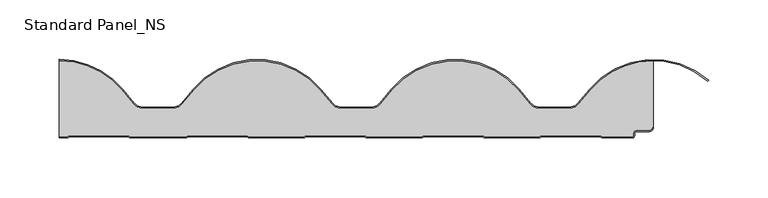
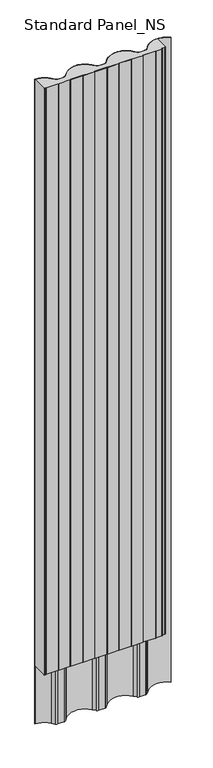
"""IFC4 building model written with IfcOpenShell, lengths in millimetres: proxy geometry, Standard Panel_NS."""

from ifc_helpers import new_model, si_unit, point, frame, frame_2d, origin, origin_with_axes, place, context, project, spatial, polyline, circle_curve, trimmed, segment, composite_curve, outline, extrude, source, transform, mapped, element, save


def standard_panel_ns_722d6365(model_context):
    return source(origin(), model_context, "Body", "SweptSolid", [
        extrude(outline(composite_curve([segment(polyline([(-197.0868605, 40.3253121), (-187.2993793, 28.6610576)]), True, "CONTINUOUS"), segment(trimmed(circle_curve(frame_2d((-179.4481443, 35.2490325)), 10.2490635), [point((-187.2993793, 28.6610576))], [point((-179.4481443, 24.9999689))], True, "CARTESIAN"), True, "CONTINUOUS"), segment(polyline([(-179.4481443, 24.9999689), (-153.8900883, 24.9999689)]), True, "CONTINUOUS"), segment(trimmed(circle_curve(frame_2d((-153.8900883, 35.2499786)), 10.2500097), [point((-153.8900883, 24.9999689))], [point((-146.0381194, 28.6614065))], True, "CARTESIAN"), True, "CONTINUOUS"), segment(polyline([(-146.0381194, 28.6614065), (-136.2510197, 40.325239)]), True, "CONTINUOUS"), segment(trimmed(circle_curve(frame_2d((-83.3359094, -4.0757294)), 69.0757185), [point((-136.2510197, 40.325239))], [point((-30.4208391, 40.3252866))], False, "CARTESIAN"), True, "CONTINUOUS"), segment(polyline([(-30.4208391, 40.3252866), (-20.6338179, 28.661569)]), True, "CONTINUOUS"), segment(trimmed(circle_curve(frame_2d((-12.7855185, 35.2418743)), 10.2418857), [point((-20.6338179, 28.661569))], [point((-12.7822294, 24.9999892))], True, "CARTESIAN"), True, "CONTINUOUS"), segment(polyline([(-12.7822294, 24.9999892), (12.7759153, 24.9999892)]), True, "CONTINUOUS"), segment(trimmed(circle_curve(frame_2d((12.7759153, 35.2499892)), 10.25), [point((12.7759153, 24.9999892))], [point((20.6278708, 28.6614162))], True, "CARTESIAN"), True, "CONTINUOUS"), segment(polyline([(20.6278708, 28.6614162), (30.4150203, 40.3252866)]), True, "CONTINUOUS"), segment(trimmed(circle_curve(frame_2d((83.3300906, -4.0757294)), 69.0757185), [point((30.4150203, 40.3252866))], [point((136.2451609, 40.3252866))], False, "CARTESIAN"), True, "CONTINUOUS"), segment(polyline([(136.2451609, 40.3252866), (146.0321821, 28.6615689)]), True, "CONTINUOUS"), segment(trimmed(circle_curve(frame_2d((153.8804815, 35.2418743)), 10.2418857), [point((146.0321821, 28.6615689))], [point((153.8837706, 24.9999892))], True, "CARTESIAN"), True, "CONTINUOUS"), segment(polyline([(153.8837706, 24.9999892), (179.4419153, 24.9999892)]), True, "CONTINUOUS"), segment(trimmed(circle_curve(frame_2d((179.4419153, 35.2499892)), 10.25), [point((179.4419153, 24.9999892))], [point((187.2938708, 28.6614162))], True, "CARTESIAN"), True, "CONTINUOUS"), segment(polyline([(187.2938708, 28.6614162), (197.0810203, 40.3252866)]), True, "CONTINUOUS"), segment(trimmed(circle_curve(frame_2d((249.9960906, -4.0757294)), 69.0757185), [point((197.0810203, 40.3252866))], [point((250.0000906, 64.999989))], False, "CARTESIAN"), True, "CONTINUOUS"), segment(polyline([(250.0000906, 64.999989), (250.0000906, 8.9), (249.0000906, 8.9)]), True, "CONTINUOUS"), segment(trimmed(circle_curve(frame_2d((246.5000906, 8.9)), 2.5), [point((249.0000906, 8.9))], [point((246.5000906, 6.4))], False, "CARTESIAN"), True, "CONTINUOUS"), segment(polyline([(246.5000906, 6.4), (236.2144661, 6.4)]), True, "CONTINUOUS"), segment(trimmed(circle_curve(frame_2d((236.2144661, 3.3)), 3.1), [point((236.2144661, 6.4))], [point((233.1144661, 3.3))], True, "CARTESIAN"), True, "CONTINUOUS"), segment(polyline([(233.1144661, 3.3), (233.1144661, 1.9)]), True, "CONTINUOUS"), segment(trimmed(circle_curve(frame_2d((232.2144661, 1.9)), 0.9), [point((233.1144661, 1.9))], [point((232.2144661, 1.0))], False, "CARTESIAN"), True, "CONTINUOUS"), segment(polyline([(232.2144661, 1.0), (207.0199097, 1.0), (205.2878589, 2.0), (155.8682437, 2.0), (154.1361929, 1.0), (108.0199097, 1.0), (106.2878589, 2.0), (56.8682437, 2.0), (55.1361929, 1.0), (8.8757606, 1.0), (7.1437098, 2.0), (-42.2759055, 2.0), (-44.0079563, 1.0), (-90.1242394, 1.0), (-91.8562902, 2.0), (-141.2759055, 2.0), (-143.0079563, 1.0), (-190.0251415, 1.0), (-191.7571923, 2.0), (-241.1768076, 2.0), (-242.9088584, 1.0), (-249.4999998, 1.0), (-249.4999998, 64.9981657)]), True, "CONTINUOUS"), segment(trimmed(circle_curve(frame_2d((-250.0019094, -4.0757294)), 69.0757185), [point((-249.4999998, 64.9981657))], [point((-197.0868605, 40.3253121))], False, "CARTESIAN"), True, "CONTINUOUS")], self_intersect=False)), origin_with_axes(), (0.0, 0.0, 1.0), 2527.968552),
        extrude(outline(composite_curve([segment(polyline([(-242.9088584, 1.0), (-241.1768076, 2.0), (-191.7571923, 2.0), (-190.0251415, 1.0), (-143.0079563, 1.0), (-141.2759055, 2.0), (-91.8562902, 2.0), (-90.1242394, 1.0), (-44.0079563, 1.0), (-42.2759055, 2.0), (7.1437098, 2.0), (8.8757606, 1.0), (55.1361929, 1.0), (56.8682437, 2.0), (106.2878589, 2.0), (108.0199097, 1.0), (154.1361929, 1.0), (155.8682437, 2.0), (205.2878589, 2.0), (207.0199097, 1.0), (232.2144661, 1.0)]), True, "CONTINUOUS"), segment(trimmed(circle_curve(frame_2d((232.2144661, 1.9)), 0.9), [point((232.2144661, 1.0))], [point((233.1144661, 1.9))], True, "CARTESIAN"), True, "CONTINUOUS"), segment(polyline([(233.1144661, 1.9), (233.1144661, 3.3)]), True, "CONTINUOUS"), segment(trimmed(circle_curve(frame_2d((236.2144661, 3.3)), 3.1), [point((233.1144661, 3.3))], [point((236.2144661, 6.4))], False, "CARTESIAN"), True, "CONTINUOUS"), segment(polyline([(236.2144661, 6.4), (246.5000906, 6.4)]), True, "CONTINUOUS"), segment(trimmed(circle_curve(frame_2d((246.5000906, 8.9)), 2.5), [point((246.5000906, 6.4))], [point((249.0000906, 8.9))], True, "CARTESIAN"), True, "CONTINUOUS"), segment(polyline([(249.0000906, 8.9), (250.0000906, 8.9)]), True, "CONTINUOUS"), segment(trimmed(circle_curve(frame_2d((246.5000906, 8.9)), 3.5), [point((250.0000906, 8.9))], [point((246.5000906, 5.4))], False, "CARTESIAN"), True, "CONTINUOUS"), segment(polyline([(246.5000906, 5.4), (236.2144661, 5.4)]), True, "CONTINUOUS"), segment(trimmed(circle_curve(frame_2d((236.2144661, 3.3)), 2.1), [point((236.2144661, 5.4))], [point((234.1144661, 3.3))], True, "CARTESIAN"), True, "CONTINUOUS"), segment(polyline([(234.1144661, 3.3), (234.1144661, 1.9)]), True, "CONTINUOUS"), segment(trimmed(circle_curve(frame_2d((232.2144661, 1.9)), 1.9), [point((234.1144661, 1.9))], [point((232.2144661, 0.0))], False, "CARTESIAN"), True, "CONTINUOUS"), segment(polyline([(232.2144661, 0.0), (207.1940767, 0.0)]), True, "CONTINUOUS"), segment(trimmed(circle_curve(frame_2d((207.1940767, 1.65)), 1.65), [point((207.1940767, 0.0))], [point((206.3690767, 0.2210581))], False, "CARTESIAN"), True, "CONTINUOUS"), segment(polyline([(206.3690767, 0.2210581), (205.0199097, 1.0), (156.1361929, 1.0), (154.7870259, 0.2210581)]), True, "CONTINUOUS"), segment(trimmed(circle_curve(frame_2d((153.9620259, 1.65)), 1.65), [point((154.7870259, 0.2210581))], [point((153.9620259, 0.0))], False, "CARTESIAN"), True, "CONTINUOUS"), segment(polyline([(153.9620259, 0.0), (108.0426763, 0.0)]), True, "CONTINUOUS"), segment(trimmed(circle_curve(frame_2d((108.0426763, 1.2339188)), 1.2339188), [point((108.0426763, 0.0))], [point((107.2442864, 0.2931058))], False, "CARTESIAN"), True, "CONTINUOUS"), segment(polyline([(107.2442864, 0.2931058), (106.0199097, 1.0), (57.1361929, 1.0), (55.7870259, 0.2210581)]), True, "CONTINUOUS"), segment(trimmed(circle_curve(frame_2d((54.9620259, 1.65)), 1.65), [point((55.7870259, 0.2210581))], [point((54.9620259, 0.0))], False, "CARTESIAN"), True, "CONTINUOUS"), segment(polyline([(54.9620259, 0.0), (9.0499275, 0.0)]), True, "CONTINUOUS"), segment(trimmed(circle_curve(frame_2d((9.0499275, 1.65)), 1.65), [point((9.0499275, 0.0))], [point((8.2249275, 0.2210581))], False, "CARTESIAN"), True, "CONTINUOUS"), segment(polyline([(8.2249275, 0.2210581), (6.8757606, 1.0), (-42.0079563, 1.0), (-43.2277028, 0.295779)]), True, "CONTINUOUS"), segment(trimmed(circle_curve(frame_2d((-44.0307229, 1.2379622)), 1.2379622), [point((-43.2277028, 0.295779))], [point((-44.0307229, 0.0))], False, "CARTESIAN"), True, "CONTINUOUS"), segment(polyline([(-44.0307229, 0.0), (-89.9500725, 0.0)]), True, "CONTINUOUS"), segment(trimmed(circle_curve(frame_2d((-89.9500725, 1.65)), 1.65), [point((-89.9500725, 0.0))], [point((-90.7750725, 0.2210581))], False, "CARTESIAN"), True, "CONTINUOUS"), segment(polyline([(-90.7750725, 0.2210581), (-92.1242394, 1.0), (-141.0079563, 1.0), (-142.3571233, 0.2210581)]), True, "CONTINUOUS"), segment(trimmed(circle_curve(frame_2d((-143.1821233, 1.65)), 1.65), [point((-142.3571233, 0.2210581))], [point((-143.1821233, 0.0))], False, "CARTESIAN"), True, "CONTINUOUS"), segment(polyline([(-143.1821233, 0.0), (-189.8509746, 0.0)]), True, "CONTINUOUS"), segment(trimmed(circle_curve(frame_2d((-189.8509746, 1.65)), 1.65), [point((-189.8509746, 0.0))], [point((-190.6759746, 0.2210581))], False, "CARTESIAN"), True, "CONTINUOUS"), segment(polyline([(-190.6759746, 0.2210581), (-192.0251415, 1.0), (-240.9088584, 1.0), (-242.2580254, 0.2210581)]), True, "CONTINUOUS"), segment(trimmed(circle_curve(frame_2d((-243.0830254, 1.65)), 1.65), [point((-242.2580254, 0.2210581))], [point((-243.0830254, 0.0))], False, "CARTESIAN"), True, "CONTINUOUS"), segment(polyline([(-243.0830254, 0.0), (-249.4999998, 0.0), (-249.4999998, 1.0), (-242.9088584, 1.0)]), True, "CONTINUOUS")], self_intersect=False)), origin_with_axes(), (0.0, 0.0, 1.0), 2527.968552),
        extrude(outline(composite_curve([segment(polyline([(-196.3208164, 40.9687109), (-186.5333351, 29.3044564)]), True, "CONTINUOUS"), segment(trimmed(circle_curve(frame_2d((-179.4481443, 35.2496432)), 9.2490635), [point((-186.5333351, 29.3044564))], [point((-179.4481443, 26.0005797))], True, "CARTESIAN"), True, "CONTINUOUS"), segment(polyline([(-179.4481443, 26.0005797), (-153.8900883, 26.0005797)]), True, "CONTINUOUS"), segment(trimmed(circle_curve(frame_2d((-153.8900883, 35.2505893)), 9.2500097), [point((-153.8900883, 26.0005797))], [point((-146.8041644, 29.3048041))], True, "CARTESIAN"), True, "CONTINUOUS"), segment(polyline([(-146.8041644, 29.3048041), (-137.0170647, 40.9686367)]), True, "CONTINUOUS"), segment(trimmed(circle_curve(frame_2d((-83.3359094, -4.0751186)), 70.0757185), [point((-137.0170647, 40.9686367))], [point((-29.6547947, 40.968685))], False, "CARTESIAN"), True, "CONTINUOUS"), segment(polyline([(-29.6547947, 40.968685), (-19.8676452, 29.3048145)]), True, "CONTINUOUS"), segment(trimmed(circle_curve(frame_2d((-12.7855185, 35.2424851)), 9.2418857), [point((-19.8676452, 29.3048145))], [point((-12.7823941, 26.0005999))], True, "CARTESIAN"), True, "CONTINUOUS"), segment(polyline([(-12.7823941, 26.0005999), (12.7759153, 26.0005999)]), True, "CONTINUOUS"), segment(trimmed(circle_curve(frame_2d((12.7759153, 35.2505999)), 9.25), [point((12.7759153, 26.0005999))], [point((19.8618264, 29.3048145))], True, "CARTESIAN"), True, "CONTINUOUS"), segment(polyline([(19.8618264, 29.3048145), (29.6489758, 40.968685)]), True, "CONTINUOUS"), segment(trimmed(circle_curve(frame_2d((83.3300906, -4.0751186)), 70.0757185), [point((29.6489758, 40.968685))], [point((137.0112053, 40.968685))], False, "CARTESIAN"), True, "CONTINUOUS"), segment(polyline([(137.0112053, 40.968685), (146.7983548, 29.3048145)]), True, "CONTINUOUS"), segment(trimmed(circle_curve(frame_2d((153.8804815, 35.2424851)), 9.2418857), [point((146.7983548, 29.3048145))], [point((153.8836059, 26.0005999))], True, "CARTESIAN"), True, "CONTINUOUS"), segment(polyline([(153.8836059, 26.0005999), (179.4419153, 26.0005999)]), True, "CONTINUOUS"), segment(trimmed(circle_curve(frame_2d((179.4419153, 35.2505999)), 9.25), [point((179.4419153, 26.0005999))], [point((186.5278264, 29.3048145))], True, "CARTESIAN"), True, "CONTINUOUS"), segment(polyline([(186.5278264, 29.3048145), (196.3149758, 40.968685)]), True, "CONTINUOUS"), segment(trimmed(circle_curve(frame_2d((249.9960906, -4.0751186)), 70.0757185), [point((196.3149758, 40.968685))], [point((296.3461744, 48.4822411))], False, "CARTESIAN"), True, "CONTINUOUS"), segment(polyline([(296.3461744, 48.4822411), (295.6376563, 47.7737229)]), True, "CONTINUOUS"), segment(trimmed(circle_curve(frame_2d((249.9960906, -4.0751186)), 69.0757185), [point((295.6376563, 47.7737229))], [point((197.0810203, 40.3258974))], True, "CARTESIAN"), True, "CONTINUOUS"), segment(polyline([(197.0810203, 40.3258974), (187.2938708, 28.6620269)]), True, "CONTINUOUS"), segment(trimmed(circle_curve(frame_2d((179.4419153, 35.2505999)), 10.25), [point((187.2938708, 28.6620269))], [point((179.4419153, 25.0005999))], False, "CARTESIAN"), True, "CONTINUOUS"), segment(polyline([(179.4419153, 25.0005999), (153.8837705, 25.0005999)]), True, "CONTINUOUS"), segment(trimmed(circle_curve(frame_2d((153.8804815, 35.2424851)), 10.2418857), [point((153.8837705, 25.0005999))], [point((146.0321821, 28.6621797))], False, "CARTESIAN"), True, "CONTINUOUS"), segment(polyline([(146.0321821, 28.6621797), (136.2451609, 40.3258974)]), True, "CONTINUOUS"), segment(trimmed(circle_curve(frame_2d((83.3300906, -4.0751186)), 69.0757185), [point((136.2451609, 40.3258974))], [point((30.4150203, 40.3258974))], True, "CARTESIAN"), True, "CONTINUOUS"), segment(polyline([(30.4150203, 40.3258974), (20.6278708, 28.6620269)]), True, "CONTINUOUS"), segment(trimmed(circle_curve(frame_2d((12.7759153, 35.2505999)), 10.25), [point((20.6278708, 28.6620269))], [point((12.7759153, 25.0005999))], False, "CARTESIAN"), True, "CONTINUOUS"), segment(polyline([(12.7759153, 25.0005999), (-12.7822295, 25.0005999)]), True, "CONTINUOUS"), segment(trimmed(circle_curve(frame_2d((-12.7855185, 35.2424851)), 10.2418857), [point((-12.7822295, 25.0005999))], [point((-20.6338179, 28.6621797))], False, "CARTESIAN"), True, "CONTINUOUS"), segment(polyline([(-20.6338179, 28.6621797), (-30.4208391, 40.3258974)]), True, "CONTINUOUS"), segment(trimmed(circle_curve(frame_2d((-83.3359094, -4.0751186)), 69.0757185), [point((-30.4208391, 40.3258974))], [point((-136.2510197, 40.3258498))], True, "CARTESIAN"), True, "CONTINUOUS"), segment(polyline([(-136.2510197, 40.3258498), (-146.0381194, 28.6620172)]), True, "CONTINUOUS"), segment(trimmed(circle_curve(frame_2d((-153.8900883, 35.2505893)), 10.2500097), [point((-146.0381194, 28.6620172))], [point((-153.8900883, 25.0005797))], False, "CARTESIAN"), True, "CONTINUOUS"), segment(polyline([(-153.8900883, 25.0005797), (-179.4481443, 25.0005797)]), True, "CONTINUOUS"), segment(trimmed(circle_curve(frame_2d((-179.4481443, 35.2496432)), 10.2490635), [point((-179.4481443, 25.0005797))], [point((-187.2993793, 28.6616684))], False, "CARTESIAN"), True, "CONTINUOUS"), segment(polyline([(-187.2993793, 28.6616684), (-197.0868605, 40.3259229)]), True, "CONTINUOUS"), segment(trimmed(circle_curve(frame_2d((-250.0019094, -4.0751186)), 69.0757185), [point((-197.0868605, 40.3259229))], [point((-249.4999998, 64.9987764))], True, "CARTESIAN"), True, "CONTINUOUS"), segment(polyline([(-249.4999998, 64.9987764), (-249.4999998, 65.9988025)]), True, "CONTINUOUS"), segment(trimmed(circle_curve(frame_2d((-250.0019094, -4.0751186)), 70.0757185), [point((-249.4999998, 65.9988025))], [point((-196.3208164, 40.9687109))], False, "CARTESIAN"), True, "CONTINUOUS")], self_intersect=False)), frame((0.0, 0.0, -250.0), z_axis=(0.0, 0.0, 1.0), x_axis=(1.0, 0.0, 0.0)), (0.0, 0.0, 1.0), 2777.968552),
    ])


if __name__ == "__main__":
    model = new_model("IFC4")
    model_context = context("Model", 3, world=origin())
    ifc_project = project(units=[si_unit("LENGTHUNIT", "METRE", prefix="MILLI")], contexts=[model_context])
    site = spatial("IfcSite", under=ifc_project)
    building = spatial("IfcBuilding", under=site)
    placement = place(None, origin())
    standard_panel_ns_shape = standard_panel_ns_722d6365(model_context)
    element("IfcBuildingElementProxy", 1, Name="Standard Panel_NS", ObjectType="Standard Panel_NS", at=placement, inside=building, context=model_context, shape_type="MappedRepresentation", body=[
        mapped(standard_panel_ns_shape, transform((0.0, 0.0, 0.0), x_axis=(1.0, 0.0, 0.0), y_axis=(0.0, 1.0, 0.0), z_axis=(0.0, 0.0, 1.0))),
    ])
    save(model, "model.ifc")
